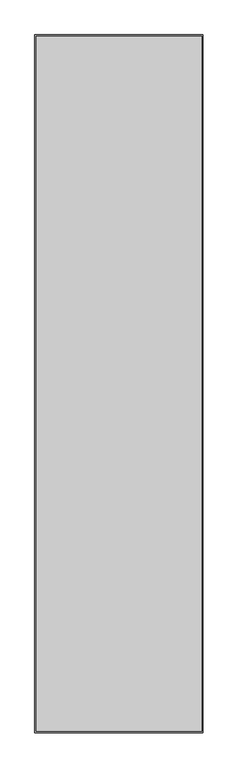
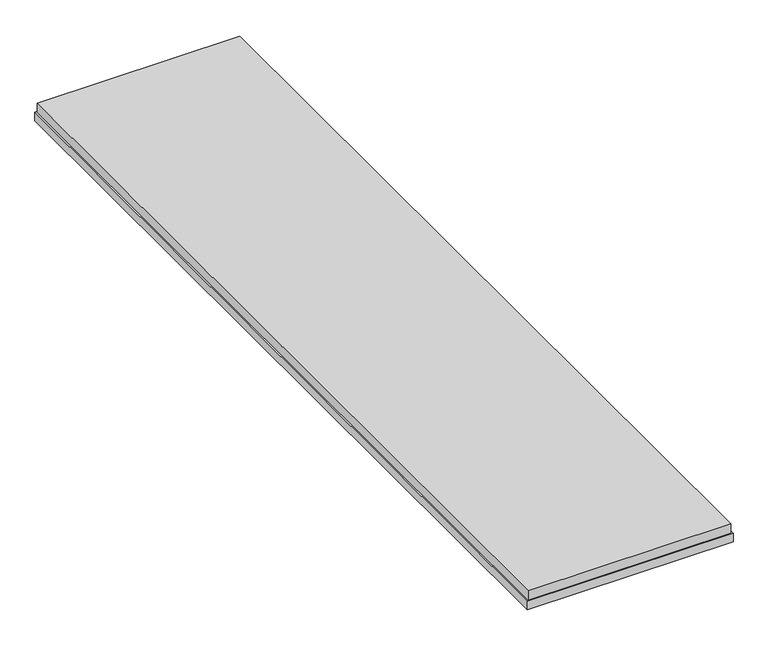
"""IFC4 building model written with IfcOpenShell, lengths in millimetres: proxy geometry."""

from ifc_helpers import new_model, si_unit, frame, origin, place, context, project, spatial, polyline, outline, extrude, source, transform, mapped, element, save


def generic_models_5aed644e(model_context):
    return source(origin(), model_context, "Body", "SweptSolid", [
        extrude(outline(polyline([(591.0, 69.0), (27.5, 69.0), (27.5, 2431.0), (591.0, 2431.0), (591.0, 69.0)])), frame((0.0, 0.0, -43.0), z_axis=(0.0, 0.0, 1.0), x_axis=(1.0, 0.0, 0.0)), (0.0, 0.0, 1.0), 27.0),
        extrude(outline(polyline([(23.5, 65.0), (23.5, 2435.0), (595.0, 2435.0), (595.0, 65.0), (23.5, 65.0)]), holes=[polyline([(577.0, 83.0), (577.0, 2417.0), (41.5, 2417.0), (41.5, 83.0), (577.0, 83.0)])]), frame((0.0, 0.0, -68.0), z_axis=(0.0, 0.0, 1.0), x_axis=(1.0, 0.0, 0.0)), (0.0, 0.0, 1.0), 25.0),
    ])


if __name__ == "__main__":
    model = new_model("IFC4")
    model_context = context("Model", 3, world=origin())
    ifc_project = project(units=[si_unit("LENGTHUNIT", "METRE", prefix="MILLI")], contexts=[model_context])
    site = spatial("IfcSite", under=ifc_project)
    building = spatial("IfcBuilding", under=site)
    placement = place(None, origin())
    generic_models_shape = generic_models_5aed644e(model_context)
    element("IfcBuildingElementProxy", 1, Name="Generic Models", at=placement, inside=building, context=model_context, shape_type="MappedRepresentation", body=[
        mapped(generic_models_shape, transform((0.0, 0.0, 0.0), x_axis=(1.0, 0.0, 0.0), y_axis=(0.0, 1.0, 0.0), z_axis=(0.0, 0.0, 1.0))),
    ])
    save(model, "model.ifc")
